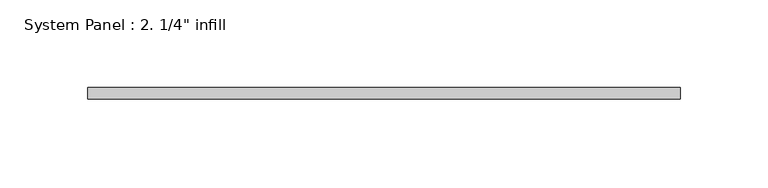
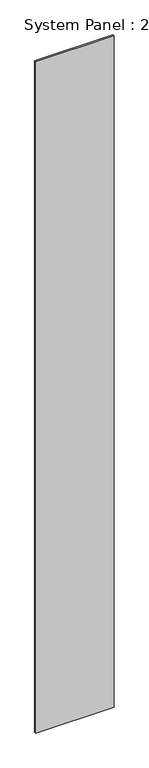
"""IFC4 building model written with IfcOpenShell, lengths in millimetres: plate geometry."""

import ifcopenshell
import ifcopenshell.guid

model = None  # the IFC model being written
_history = None  # IfcOwnerHistory: only IFC2X3 demands one
_inside = {}  # id of a spatial element -> (the spatial element, [elements in it])
_under = {}  # id of a project, library or spatial element -> (it, [spatial elements below it])
_declared = {}  # id of a project -> (the project, [libraries it declares])
_typed = {}  # id of a type object -> (the type object, [elements of that type])
_made_of = {}  # id of a material, layer set ... -> (it, [elements and type objects made of it])


def new_model(schema):
    """Start an empty IFC model of exactly this schema.

    Asked for "IFC4X3", IfcOpenShell would pick the latest addendum, in which some entities
    have other attributes; the version numbers below select the first issue.
    IFC2X3 requires an IfcOwnerHistory on every rooted entity: one is made here for all.
    """
    global model, _history
    if schema == "IFC4X3":
        model = ifcopenshell.file(schema_version=(4, 3, 0, 0))
    else:
        model = ifcopenshell.file(schema=schema)
    _inside.clear()
    _under.clear()
    _declared.clear()
    _typed.clear()
    _made_of.clear()
    _history = None
    if model.schema == "IFC2X3":
        org = make("IfcOrganization", Name="unknown")
        user = make(
            "IfcPersonAndOrganization",
            ThePerson=make("IfcPerson", FamilyName="unknown"),
            TheOrganization=org,
        )
        app = make(
            "IfcApplication",
            ApplicationDeveloper=org,
            Version="unknown",
            ApplicationFullName="unknown",
            ApplicationIdentifier="unknown",
        )
        _history = make(
            "IfcOwnerHistory",
            OwningUser=user,
            OwningApplication=app,
            ChangeAction="ADDED",
            CreationDate=0,
        )
    return model


def make(cls, **values):
    """One entity of the class cls with the attributes given. An attribute that is None is left unset."""
    return model.create_entity(
        cls, **{name: value for name, value in values.items() if value is not None}
    )


def rooted(cls, **values):
    """An entity with a GlobalId (a new one), such as an element, a storey or a relation."""
    return make(cls, GlobalId=ifcopenshell.guid.new(), OwnerHistory=_history, **values)


def si_unit(unit_type, name, prefix=None):
    """IfcSIUnit, for example si_unit("LENGTHUNIT", "METRE", prefix="MILLI")."""
    return make("IfcSIUnit", UnitType=unit_type, Prefix=prefix, Name=name)


def assignment(units):
    """IfcUnitAssignment: the units of a project."""
    return None if units is None else make("IfcUnitAssignment", Units=units)


def point(xyz):
    """IfcCartesianPoint."""
    return None if xyz is None else make("IfcCartesianPoint", Coordinates=xyz)


def direction(xyz):
    """IfcDirection."""
    return None if xyz is None else make("IfcDirection", DirectionRatios=xyz)


def frame(location, z_axis=None, x_axis=None):
    """IfcAxis2Placement3D, a coordinate frame: its origin and axes. An axis left out is left unset."""
    return make(
        "IfcAxis2Placement3D",
        Location=point(location),
        Axis=direction(z_axis),
        RefDirection=direction(x_axis),
    )


def origin():
    """The frame at (0, 0, 0) with its axes left unset."""
    return frame((0.0, 0.0, 0.0))


def origin_with_axes():
    """The frame at (0, 0, 0) with the z axis (0, 0, 1) and the x axis (1, 0, 0) written out."""
    return frame((0.0, 0.0, 0.0), z_axis=(0.0, 0.0, 1.0), x_axis=(1.0, 0.0, 0.0))


def place(relative_to, where):
    """IfcLocalPlacement: puts the frame where relative to a parent placement (None: the world)."""
    return make(
        "IfcLocalPlacement", PlacementRelTo=relative_to, RelativePlacement=where
    )


def context(
    kind, dimensions, precision=None, world=None, true_north=None, identifier=None
):
    """IfcGeometricRepresentationContext, for example the 3D "Model" context."""
    return make(
        "IfcGeometricRepresentationContext",
        ContextIdentifier=identifier,
        ContextType=kind,
        CoordinateSpaceDimension=dimensions,
        Precision=precision,
        WorldCoordinateSystem=world,
        TrueNorth=true_north,
    )


def project(units=None, contexts=None):
    """IfcProject with its units and contexts."""
    return rooted(
        "IfcProject",
        Name="project",
        RepresentationContexts=contexts,
        UnitsInContext=assignment(units),
    )


def spatial(cls, under=None, at=None, **own):
    """A site, building, storey or space (cls), placed at a placement, below another one or the project."""
    s = rooted(cls, ObjectPlacement=at, **own)
    if under is not None:
        _under.setdefault(under.id(), (under, []))[1].append(s)
    return s


def polyline(points):
    """IfcPolyline through the points."""
    return make("IfcPolyline", Points=[point(p) for p in points])


def outline(outer, holes=None, kind="AREA"):
    """IfcArbitraryClosedProfileDef: a profile drawn as a closed curve; with holes, ...WithVoids."""
    if holes is None:
        return make("IfcArbitraryClosedProfileDef", ProfileType=kind, OuterCurve=outer)
    return make(
        "IfcArbitraryProfileDefWithVoids",
        ProfileType=kind,
        OuterCurve=outer,
        InnerCurves=holes,
    )


def extrude(swept, where, along, depth):
    """IfcExtrudedAreaSolid: the profile swept, set in the frame where, extruded along a direction by depth."""
    return make(
        "IfcExtrudedAreaSolid",
        SweptArea=swept,
        Position=where,
        ExtrudedDirection=direction(along),
        Depth=depth,
    )


def shape(context_of_items, identifier, shape_type, items):
    """IfcShapeRepresentation: the items that make up one representation, for example the "Body"."""
    return make(
        "IfcShapeRepresentation",
        ContextOfItems=context_of_items,
        RepresentationIdentifier=identifier,
        RepresentationType=shape_type,
        Items=items,
    )


def source(mapping_origin, context_of_items, identifier, shape_type, items):
    """IfcRepresentationMap: a shape defined once, which mapped items show again and again."""
    return make(
        "IfcRepresentationMap",
        MappingOrigin=mapping_origin,
        MappedRepresentation=shape(context_of_items, identifier, shape_type, items),
    )


def transform(
    local_origin,
    x_axis=None,
    y_axis=None,
    z_axis=None,
    scale=None,
    scale2=None,
    scale3=None,
    uniform=True,
):
    """IfcCartesianTransformationOperator3D, or its non-uniform kind. x_axis, y_axis, z_axis: its Axis1, 2, 3."""
    if uniform:
        return make(
            "IfcCartesianTransformationOperator3D",
            Axis1=direction(x_axis),
            Axis2=direction(y_axis),
            LocalOrigin=point(local_origin),
            Scale=scale,
            Axis3=direction(z_axis),
        )
    return make(
        "IfcCartesianTransformationOperator3DnonUniform",
        Axis1=direction(x_axis),
        Axis2=direction(y_axis),
        LocalOrigin=point(local_origin),
        Scale=scale,
        Axis3=direction(z_axis),
        Scale2=scale2,
        Scale3=scale3,
    )


def mapped(mapping_source, mapping_target):
    """IfcMappedItem: shows the shape of a source again, moved by a transform."""
    return make(
        "IfcMappedItem", MappingSource=mapping_source, MappingTarget=mapping_target
    )


def made_of(thing, what):
    """Note that an element or type object is made of a material, layer set ...; save() writes the relation."""
    if what is not None:
        _made_of.setdefault(what.id(), (what, []))[1].append(thing)
    return thing


def element(
    cls,
    number,
    at=None,
    inside=None,
    cuts=None,
    type_object=None,
    material=None,
    context=None,
    identifier="Body",
    shape_type=None,
    held_by="IfcProductDefinitionShape",
    body=None,
    shapes=None,
    **own,
):
    """One element of the class cls, such as IfcWall. Its Tag is "e" and its number.

    at: its placement. inside: the storey or other place that contains it. cuts: it is an
    opening in that element (IfcRelVoidsElement). A single representation is given by context,
    identifier, shape_type and body (its items); several are given by shapes. held_by: the class
    of the entity that holds the representations. save() writes the other relations.
    """
    e = rooted(cls, Tag="e%d" % number, ObjectPlacement=at, **own)
    if body is not None:
        shapes = [shape(context, identifier, shape_type, body)]
    if shapes is not None:
        e.Representation = make(held_by, Representations=shapes)
    if inside is not None:
        _inside.setdefault(inside.id(), (inside, []))[1].append(e)
    if cuts is not None:
        rooted(
            "IfcRelVoidsElement", RelatingBuildingElement=cuts, RelatedOpeningElement=e
        )
    if type_object is not None:
        _typed.setdefault(type_object.id(), (type_object, []))[1].append(e)
    return made_of(e, material)


def aggregate(whole, parts):
    """IfcRelAggregates: a whole, such as a stair, and the parts it consists of."""
    return rooted("IfcRelAggregates", RelatingObject=whole, RelatedObjects=parts)


def save(model, path):
    """Write the relations noted so far, then the file.

    IfcRelAggregates (storeys below a building ...), IfcRelContainedInSpatialStructure (elements
    in a storey), IfcRelDefinesByType, IfcRelAssociatesMaterial and IfcRelDeclares: one each for
    every whole, place, type object, material and project.
    """
    for whole, parts in _under.values():
        aggregate(whole, parts)
    for where, things in _inside.values():
        rooted(
            "IfcRelContainedInSpatialStructure",
            RelatedElements=things,
            RelatingStructure=where,
        )
    for kind, things in _typed.values():
        rooted("IfcRelDefinesByType", RelatedObjects=things, RelatingType=kind)
    for what, things in _made_of.values():
        rooted("IfcRelAssociatesMaterial", RelatedObjects=things, RelatingMaterial=what)
    for by, libraries in _declared.values():
        rooted("IfcRelDeclares", RelatingContext=by, RelatedDefinitions=libraries)
    model.write(path)


def plate_262434e0(model_context):
    return source(origin(), model_context, "Body", "SweptSolid", [
        extrude(outline(polyline([(168.275, -6.35), (-168.275, -6.35), (-168.275, 0.0), (168.275, 0.0), (168.275, -6.35)])), origin_with_axes(), (0.0, 0.0, 1.0), 3048.0),
    ])


if __name__ == "__main__":
    model = new_model("IFC4")
    model_context = context("Model", 3, world=origin())
    ifc_project = project(units=[si_unit("LENGTHUNIT", "METRE", prefix="MILLI")], contexts=[model_context])
    site = spatial("IfcSite", under=ifc_project)
    building = spatial("IfcBuilding", under=site)
    placement = place(None, origin())
    plate_shape = plate_262434e0(model_context)
    element("IfcPlate", 1, ObjectType="System Panel : 2. 1/4\" infill", at=placement, inside=building, context=model_context, shape_type="MappedRepresentation", body=[
        mapped(plate_shape, transform((0.0, 0.0, 0.0), x_axis=(1.0, 0.0, 0.0), y_axis=(0.0, 1.0, 0.0), z_axis=(0.0, 0.0, 1.0))),
    ])
    save(model, "model.ifc")
